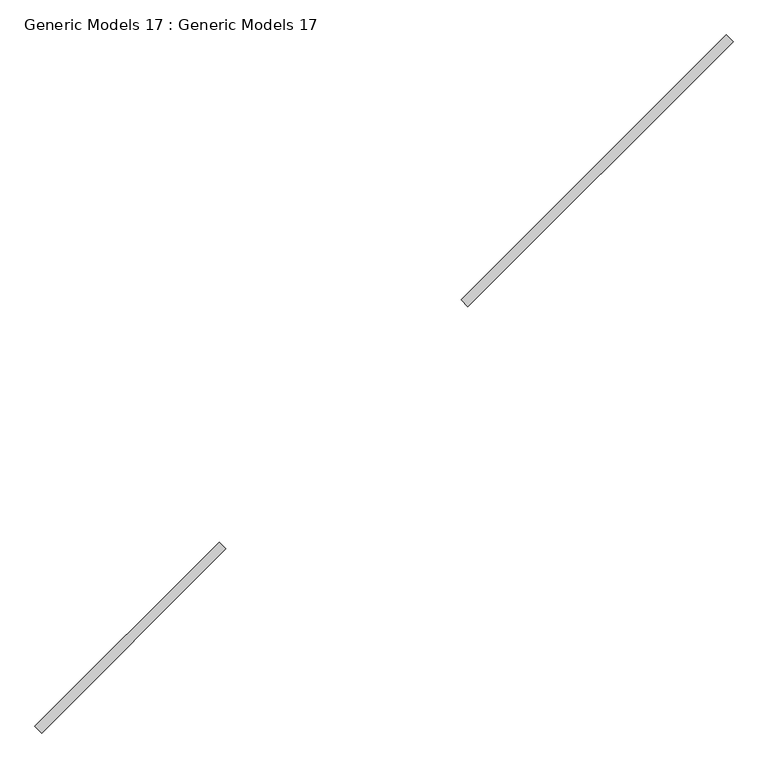
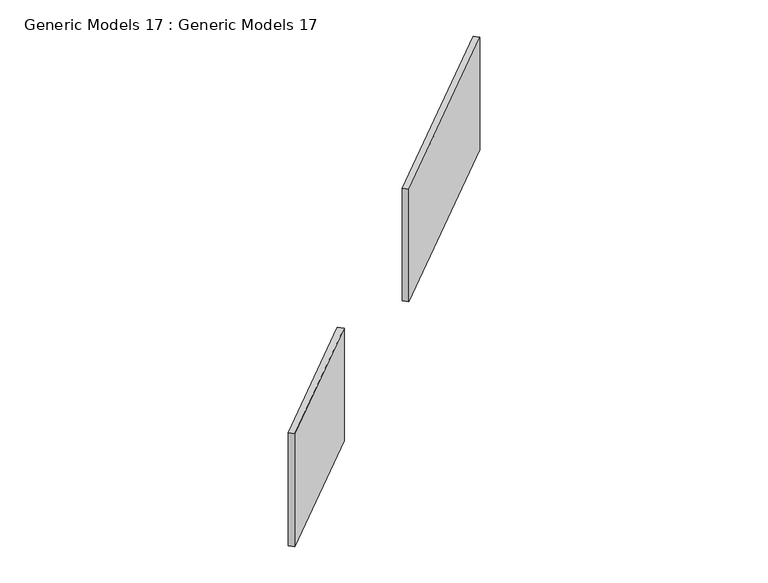
"""IFC4 building model written with IfcOpenShell, lengths in millimetres: proxy geometry, Generic Models 17 : Generic Models 17."""

from ifc_helpers import new_model, si_unit, frame, origin, place, context, project, spatial, polyline, outline, extrude, source, transform, mapped, element, save


def generic_models_17_generic_models_17_6496ff08(model_context):
    return source(origin(), model_context, "Body", "SweptSolid", [
        extrude(outline(polyline([(-206084.3277983, 5841.5500086), (-205942.9064421, 5700.1286523), (-209867.3490777, 1775.6860168), (-210008.7704339, 1917.107373), (-206084.3277983, 5841.5500086)])), frame((0.0, 0.0, 12680.0), z_axis=(0.0, 0.0, 1.0), x_axis=(1.0, 0.0, 0.0)), (0.0, 0.0, 1.0), 4000.0),
        extrude(outline(polyline([(-195132.8531212, 16510.1819732), (-200781.0269394, 10862.008155), (-200922.4482957, 11003.4295112), (-195274.2744774, 16651.6033295), (-195132.8531212, 16510.1819732)])), frame((0.0, 0.0, 12680.0), z_axis=(0.0, 0.0, 1.0), x_axis=(1.0, 0.0, 0.0)), (0.0, 0.0, 1.0), 4000.0),
    ])


if __name__ == "__main__":
    model = new_model("IFC4")
    model_context = context("Model", 3, world=origin())
    ifc_project = project(units=[si_unit("LENGTHUNIT", "METRE", prefix="MILLI")], contexts=[model_context])
    site = spatial("IfcSite", under=ifc_project)
    building = spatial("IfcBuilding", under=site)
    placement = place(None, origin())
    generic_models_17_generic_models_17_shape = generic_models_17_generic_models_17_6496ff08(model_context)
    element("IfcBuildingElementProxy", 1, Name="Generic Models 17 : Generic Models 17", ObjectType="Generic Models 17 : Generic Models 17", at=placement, inside=building, context=model_context, shape_type="MappedRepresentation", body=[
        mapped(generic_models_17_generic_models_17_shape, transform((0.0, 0.0, 0.0), x_axis=(1.0, 0.0, 0.0), y_axis=(0.0, 1.0, 0.0), z_axis=(0.0, 0.0, 1.0))),
    ])
    save(model, "model.ifc")
